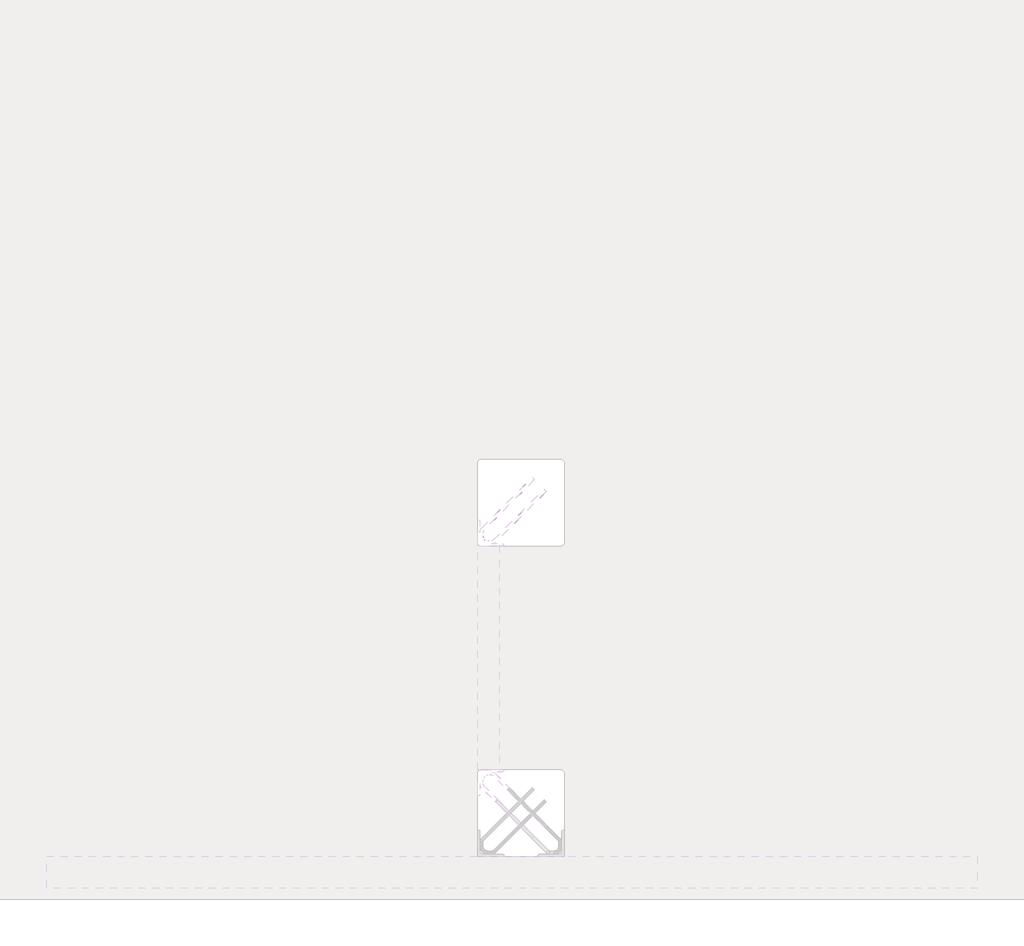
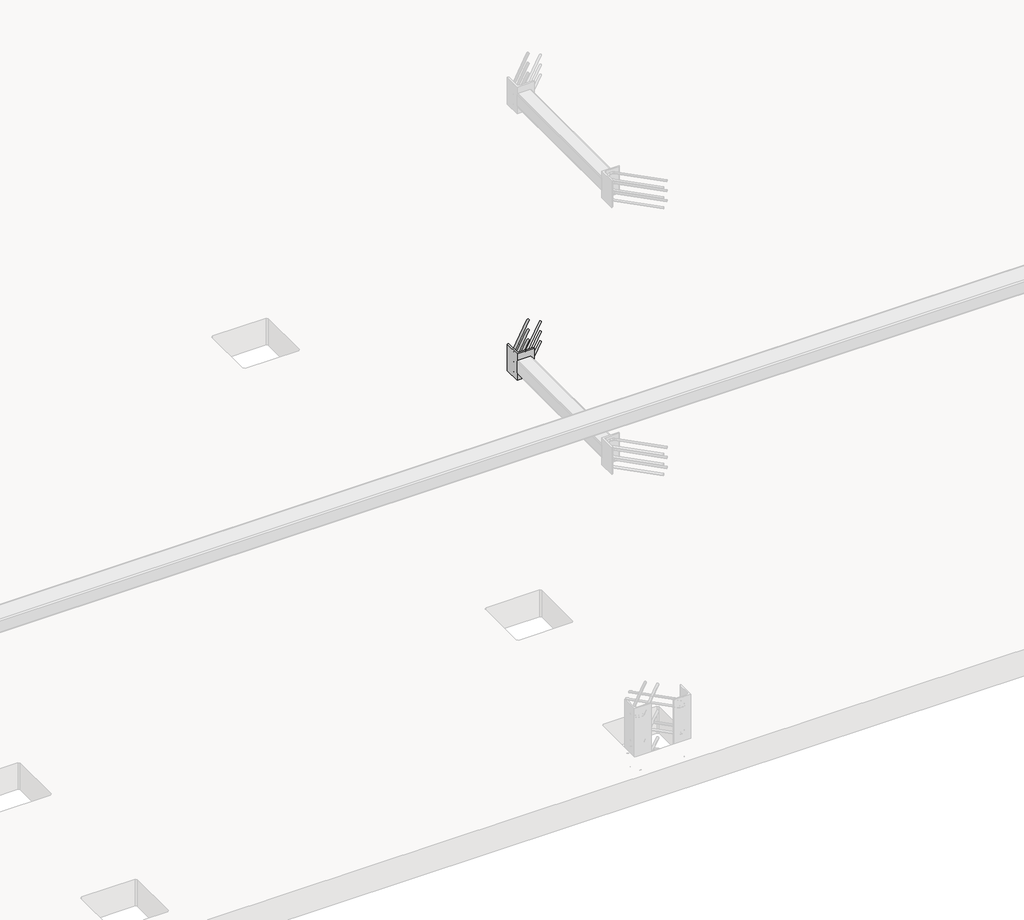
# One storey, part 51 of 65: 1 fastener.
"""IFC4 building model written with IfcOpenShell, lengths in millimetres."""

from ifc_helpers import new_model, si_unit, point, frame, frame_2d, origin, place, context, project, spatial, polyline, circle_curve, ellipse_curve, trimmed, segment, composite_curve, outline, extrude, element, save
from ifc_brep_helpers import plane_surface, cylinder_surface, revolved_surface, advanced_brep

model = new_model("IFC4")

# Units and contexts
model_context = context("Model", 3, world=origin())
ifc_project = project(units=[si_unit("LENGTHUNIT", "METRE", prefix="MILLI")], contexts=[model_context])

# Site, building, storey
site = spatial("IfcSite", under=ifc_project)
building = spatial("IfcBuilding", under=site)
storey = spatial("IfcBuildingStorey", under=building, Elevation=0.0)

# Fastener
placement = place(None, origin())
element("IfcFastener", 1, at=placement, inside=storey, context=model_context, shape_type="SolidModel", body=[
    extrude(outline(composite_curve([segment(polyline([(74650.0, 11240.0), (74650.0, 11360.0), (74653.5, 11360.0)]), True, "CONTINUOUS"), segment(trimmed(circle_curve(frame_2d((74653.5, 11353.5)), 6.5), [point((74653.5, 11360.0))], [point((74660.0, 11353.5))], False, "CARTESIAN"), True, "CONTINUOUS"), segment(polyline([(74660.0, 11353.5), (74660.0, 11263.0)]), True, "CONTINUOUS"), segment(trimmed(circle_curve(frame_2d((74673.0, 11263.0)), 13.0), [point((74660.0, 11263.0))], [point((74673.0, 11250.0))], True, "CARTESIAN"), True, "CONTINUOUS"), segment(polyline([(74673.0, 11250.0), (74763.5, 11250.0)]), True, "CONTINUOUS"), segment(trimmed(circle_curve(frame_2d((74763.5, 11243.5)), 6.5), [point((74763.5, 11250.0))], [point((74770.0, 11243.5))], False, "CARTESIAN"), True, "CONTINUOUS"), segment(polyline([(74770.0, 11243.5), (74770.0, 11240.0), (74650.0, 11240.0)]), True, "CONTINUOUS")], self_intersect=False)), frame((0.0, 0.0, 1950.0), z_axis=(0.0, 0.0, 1.0), x_axis=(1.0, 0.0, 0.0)), (0.0, 0.0, 1.0), 200.0),
    advanced_brep(
    [(74902.5376259, 11557.4371209, 1975.0), (74912.4371209, 11547.5376259, 1975.0), (74967.4371209, 11492.5376259, 1975.0), (74957.5376259, 11502.4371209, 1975.0), (74697.0, 11264.0, 1975.0), (74697.0, 11250.0, 1975.0), (74715.7867966, 11250.0, 1975.0), (74715.7867966, 11264.0, 1975.0), (74674.0, 11287.0, 1975.0), (74660.0, 11287.0, 1975.0), (74674.0, 11305.7867966, 1975.0), (74660.0, 11305.7867966, 1975.0), (74666.4436508, 11321.3431458, 1975.0), (74676.3431458, 11311.4436508, 1975.0), (74721.4436508, 11266.3431458, 1975.0), (74731.3431458, 11256.4436508, 1975.0)],
    [
        (0, 1, circle_curve(frame((74907.4873734, 11552.4873734, 1975.0), z_axis=(0.7071067811865505, 0.7071067811865446, 0.0), x_axis=(0.7071067811865447, -0.7071067811865506, 0.0)), 7.0)),
        (1, 0, circle_curve(frame((74907.4873734, 11552.4873734, 1975.0), z_axis=(0.7071067811865505, 0.7071067811865446, 0.0), x_axis=(0.7071067811865447, -0.7071067811865506, 0.0)), 7.0)),
        (2, 3, circle_curve(frame((74962.4873734, 11497.4873734, 1975.0), z_axis=(0.7071067811865503, 0.7071067811865447, 0.0), x_axis=(-0.7071067811865447, 0.7071067811865503, 0.0)), 7.0)),
        (3, 2, circle_curve(frame((74962.4873734, 11497.4873734, 1975.0), z_axis=(0.7071067811865503, 0.7071067811865447, 0.0), x_axis=(-0.7071067811865447, 0.7071067811865503, 0.0)), 7.0)),
        (4, 5, circle_curve(frame((74697.0, 11257.0, 1975.0), z_axis=(1.0, 0.0, 0.0), x_axis=(0.0, 1.0, 0.0)), 7.0)),
        (5, 6),
        (6, 7, circle_curve(frame((74715.7867966, 11257.0, 1975.0), z_axis=(-1.0, 0.0, 0.0), x_axis=(0.0, 1.0, 0.0)), 7.0)),
        (7, 4),
        (5, 4, circle_curve(frame((74697.0, 11257.0, 1975.0), z_axis=(1.0, 0.0, 0.0), x_axis=(0.0, 1.0, 0.0)), 7.0)),
        (7, 6, circle_curve(frame((74715.7867966, 11257.0, 1975.0), z_axis=(-1.0, 0.0, 0.0), x_axis=(0.0, 1.0, 0.0)), 7.0)),
        (4, 8, circle_curve(frame((74697.0, 11287.0, 1975.0), z_axis=(0.0, 0.0, -1.0), x_axis=(-1.0, 0.0, 0.0)), 23.0)),
        (8, 9, circle_curve(frame((74667.0, 11287.0, 1975.0), z_axis=(0.0, -1.0, 0.0), x_axis=(1.0, 0.0, 0.0)), 7.0)),
        (9, 5, circle_curve(frame((74697.0, 11287.0, 1975.0), z_axis=(0.0, 0.0, 1.0), x_axis=(-1.0, 0.0, 0.0)), 37.0)),
        (9, 8, circle_curve(frame((74667.0, 11287.0, 1975.0), z_axis=(0.0, -1.0, 0.0), x_axis=(1.0, 0.0, 0.0)), 7.0)),
        (10, 11, circle_curve(frame((74667.0, 11305.7867966, 1975.0), z_axis=(0.0, -1.0, 0.0), x_axis=(1.0, 0.0, 0.0)), 7.0)),
        (11, 9),
        (8, 10),
        (11, 10, circle_curve(frame((74667.0, 11305.7867966, 1975.0), z_axis=(0.0, -1.0, 0.0), x_axis=(1.0, 0.0, 0.0)), 7.0)),
        (0, 12),
        (12, 13, circle_curve(frame((74671.3933983, 11316.3933983, 1975.0), z_axis=(0.7071067811865505, 0.7071067811865446, 0.0), x_axis=(0.7071067811865447, -0.7071067811865506, 0.0)), 7.0)),
        (13, 1),
        (13, 12, circle_curve(frame((74671.3933983, 11316.3933983, 1975.0), z_axis=(0.7071067811865505, 0.7071067811865446, 0.0), x_axis=(0.7071067811865447, -0.7071067811865506, 0.0)), 7.0)),
        (10, 13, circle_curve(frame((74682.0, 11305.7867966, 1975.0), z_axis=(0.0, 0.0, -1.0), x_axis=(-0.7071067811865445, 0.7071067811865506, 0.0)), 8.0)),
        (12, 11, circle_curve(frame((74682.0, 11305.7867966, 1975.0), z_axis=(0.0, 0.0, 1.0), x_axis=(-0.7071067811865445, 0.7071067811865506, 0.0)), 22.0)),
        (14, 7, circle_curve(frame((74715.7867966, 11272.0, 1975.0), z_axis=(0.0, 0.0, -1.0), x_axis=(0.0, -1.0, 0.0)), 8.0)),
        (6, 15, circle_curve(frame((74715.7867966, 11272.0, 1975.0), z_axis=(0.0, 0.0, 1.0), x_axis=(0.0, -1.0, 0.0)), 22.0)),
        (15, 14, circle_curve(frame((74726.3933983, 11261.3933983, 1975.0), z_axis=(-0.7071067811865501, -0.7071067811865449, 0.0), x_axis=(-0.7071067811865449, 0.7071067811865501, 0.0)), 7.0)),
        (14, 15, circle_curve(frame((74726.3933983, 11261.3933983, 1975.0), z_axis=(-0.7071067811865496, -0.7071067811865455, 0.0), x_axis=(-0.7071067811865455, 0.7071067811865496, 0.0)), 7.0)),
        (15, 2),
        (3, 14),
    ],
    [
        plane_surface(frame((74907.4873734, 11552.4873734, 1975.0), z_axis=(0.7071067811865505, 0.7071067811865446, 0.0), x_axis=(0.0, 0.0, 1.0))),
        plane_surface(frame((74962.4873734, 11497.4873734, 1975.0), z_axis=(0.7071067811865503, 0.7071067811865447, 0.0), x_axis=(0.0, 0.0, 1.0))),
        cylinder_surface(frame((74697.0, 11257.0, 1975.0), z_axis=(-1.0, 0.0, 0.0), x_axis=(0.0, 1.0, 0.0)), 7.0),
        revolved_surface(trimmed(ellipse_curve(frame((74667.0, 11287.0, 1975.0), z_axis=(0.0, 1.0, 0.0), x_axis=(1.0, 0.0, 0.0)), 7.0, 7.0), [point((74660.0, 11287.0, 1975.0))], [point((74674.0, 11287.0, 1975.0))], True, "CARTESIAN"), (74697.0, 11287.0, 1975.0), (0.0, 0.0, 1.0)),
        revolved_surface(trimmed(ellipse_curve(frame((74667.0, 11287.0, 1975.0), z_axis=(0.0, 1.0, 0.0), x_axis=(1.0, 0.0, 0.0)), 7.0, 7.0), [point((74674.0, 11287.0, 1975.0))], [point((74660.0, 11287.0, 1975.0))], True, "CARTESIAN"), (74697.0, 11287.0, 1975.0), (0.0, 0.0, 1.0)),
        cylinder_surface(frame((74667.0, 11305.7867966, 1975.0), z_axis=(0.0, 1.0, 0.0), x_axis=(1.0, 0.0, 0.0)), 7.0),
        cylinder_surface(frame((74907.4873734, 11552.4873734, 1975.0), z_axis=(0.7071067811865506, 0.7071067811865447, 0.0), x_axis=(0.7071067811865447, -0.7071067811865506, 0.0)), 7.0),
        revolved_surface(trimmed(ellipse_curve(frame((74671.3933983, 11316.3933983, 1975.0), z_axis=(0.7071067811865506, 0.7071067811865445, 0.0), x_axis=(0.7071067811865445, -0.7071067811865506, 0.0)), 7.0, 7.0), [point((74666.4436508, 11321.3431458, 1975.0))], [point((74676.3431458, 11311.4436508, 1975.0))], True, "CARTESIAN"), (74682.0, 11305.7867966, 1975.0), (0.0, 0.0, 1.0)),
        revolved_surface(trimmed(ellipse_curve(frame((74671.3933983, 11316.3933983, 1975.0), z_axis=(0.7071067811865506, 0.7071067811865445, 0.0), x_axis=(0.7071067811865445, -0.7071067811865506, 0.0)), 7.0, 7.0), [point((74676.3431458, 11311.4436508, 1975.0))], [point((74666.4436508, 11321.3431458, 1975.0))], True, "CARTESIAN"), (74682.0, 11305.7867966, 1975.0), (0.0, 0.0, 1.0)),
        revolved_surface(trimmed(ellipse_curve(frame((74715.7867966, 11257.0, 1975.0), z_axis=(-1.0, 0.0, 0.0), x_axis=(0.0, 1.0, 0.0)), 7.0, 7.0), [point((74715.7867966, 11250.0, 1975.0))], [point((74715.7867966, 11264.0, 1975.0))], True, "CARTESIAN"), (74715.7867966, 11272.0, 1975.0), (0.0, 0.0, 1.0)),
        revolved_surface(trimmed(ellipse_curve(frame((74715.7867966, 11257.0, 1975.0), z_axis=(-1.0, 0.0, 0.0), x_axis=(0.0, 1.0, 0.0)), 7.0, 7.0), [point((74715.7867966, 11264.0, 1975.0))], [point((74715.7867966, 11250.0, 1975.0))], True, "CARTESIAN"), (74715.7867966, 11272.0, 1975.0), (0.0, 0.0, 1.0)),
        cylinder_surface(frame((74726.3933983, 11261.3933983, 1975.0), z_axis=(-0.7071067811865503, -0.7071067811865447, 0.0), x_axis=(-0.7071067811865447, 0.7071067811865503, 0.0)), 7.0),
    ],
    [
        (0, [[1, 2]]),
        (1, [[3, 4]]),
        (2, [[5, 6, 7, 8]]),
        (2, [[9, -8, 10, -6]]),
        (3, [[11, 12, 13, -5]]),
        (4, [[-13, 14, -11, -9]]),
        (5, [[15, 16, -12, 17]]),
        (5, [[18, -17, -14, -16]]),
        (6, [[-1, 19, 20, 21]]),
        (6, [[-2, -21, 22, -19]]),
        (7, [[23, -20, 24, -15]]),
        (8, [[-24, -22, -23, -18]]),
        (9, [[25, -7, 26, 27]]),
        (10, [[-26, -10, -25, 28]]),
        (11, [[-27, 29, -4, 30]]),
        (11, [[-28, -30, -3, -29]]),
    ],
),
    advanced_brep(
    [(74912.4371209, 11547.5376259, 2125.0), (74902.5376259, 11557.4371209, 2125.0), (74957.5376259, 11502.4371209, 2125.0), (74967.4371209, 11492.5376259, 2125.0), (74697.0, 11250.0, 2125.0), (74697.0, 11264.0, 2125.0), (74715.7867966, 11264.0, 2125.0), (74715.7867966, 11250.0, 2125.0), (74660.0, 11287.0, 2125.0), (74674.0, 11287.0, 2125.0), (74660.0, 11305.7867966, 2125.0), (74674.0, 11305.7867966, 2125.0), (74676.3431458, 11311.4436508, 2125.0), (74666.4436508, 11321.3431458, 2125.0), (74731.3431458, 11256.4436508, 2125.0), (74721.4436508, 11266.3431458, 2125.0)],
    [
        (0, 1, circle_curve(frame((74907.4873734, 11552.4873734, 2125.0), z_axis=(0.7071067811865505, 0.7071067811865446, 0.0), x_axis=(-0.7071067811865447, 0.7071067811865506, 0.0)), 7.0)),
        (1, 0, circle_curve(frame((74907.4873734, 11552.4873734, 2125.0), z_axis=(0.7071067811865505, 0.7071067811865446, 0.0), x_axis=(-0.7071067811865447, 0.7071067811865506, 0.0)), 7.0)),
        (2, 3, circle_curve(frame((74962.4873734, 11497.4873734, 2125.0), z_axis=(0.7071067811865505, 0.7071067811865447, 0.0), x_axis=(0.7071067811865447, -0.7071067811865505, 0.0)), 7.0)),
        (3, 2, circle_curve(frame((74962.4873734, 11497.4873734, 2125.0), z_axis=(0.7071067811865505, 0.7071067811865447, 0.0), x_axis=(0.7071067811865447, -0.7071067811865505, 0.0)), 7.0)),
        (4, 5, circle_curve(frame((74697.0, 11257.0, 2125.0), z_axis=(1.0, 0.0, 0.0), x_axis=(0.0, -1.0, 0.0)), 7.0)),
        (5, 6),
        (6, 7, circle_curve(frame((74715.7867966, 11257.0, 2125.0), z_axis=(-1.0, 0.0, 0.0), x_axis=(0.0, -1.0, 0.0)), 7.0)),
        (7, 4),
        (5, 4, circle_curve(frame((74697.0, 11257.0, 2125.0), z_axis=(1.0, 0.0, 0.0), x_axis=(0.0, -1.0, 0.0)), 7.0)),
        (7, 6, circle_curve(frame((74715.7867966, 11257.0, 2125.0), z_axis=(-1.0, 0.0, 0.0), x_axis=(0.0, -1.0, 0.0)), 7.0)),
        (4, 8, circle_curve(frame((74697.0, 11287.0, 2125.0), z_axis=(0.0, 0.0, -1.0), x_axis=(-1.0, 0.0, 0.0)), 37.0)),
        (8, 9, circle_curve(frame((74667.0, 11287.0, 2125.0), z_axis=(0.0, -1.0, 0.0), x_axis=(-1.0, 0.0, 0.0)), 7.0)),
        (9, 5, circle_curve(frame((74697.0, 11287.0, 2125.0), z_axis=(0.0, 0.0, 1.0), x_axis=(-1.0, 0.0, 0.0)), 23.0)),
        (9, 8, circle_curve(frame((74667.0, 11287.0, 2125.0), z_axis=(0.0, -1.0, 0.0), x_axis=(-1.0, 0.0, 0.0)), 7.0)),
        (10, 11, circle_curve(frame((74667.0, 11305.7867966, 2125.0), z_axis=(0.0, -1.0, 0.0), x_axis=(-1.0, 0.0, 0.0)), 7.0)),
        (11, 9),
        (8, 10),
        (11, 10, circle_curve(frame((74667.0, 11305.7867966, 2125.0), z_axis=(0.0, -1.0, 0.0), x_axis=(-1.0, 0.0, 0.0)), 7.0)),
        (0, 12),
        (12, 13, circle_curve(frame((74671.3933983, 11316.3933983, 2125.0), z_axis=(0.7071067811865505, 0.7071067811865446, 0.0), x_axis=(-0.7071067811865447, 0.7071067811865506, 0.0)), 7.0)),
        (13, 1),
        (13, 12, circle_curve(frame((74671.3933983, 11316.3933983, 2125.0), z_axis=(0.7071067811865505, 0.7071067811865446, 0.0), x_axis=(-0.7071067811865447, 0.7071067811865506, 0.0)), 7.0)),
        (10, 13, circle_curve(frame((74682.0, 11305.7867966, 2125.0), z_axis=(0.0, 0.0, -1.0), x_axis=(-0.7071067811865445, 0.7071067811865506, 0.0)), 22.0)),
        (12, 11, circle_curve(frame((74682.0, 11305.7867966, 2125.0), z_axis=(0.0, 0.0, 1.0), x_axis=(-0.7071067811865445, 0.7071067811865506, 0.0)), 8.0)),
        (14, 7, circle_curve(frame((74715.7867966, 11272.0, 2125.0), z_axis=(0.0, 0.0, -1.0), x_axis=(0.0, -1.0, 0.0)), 22.0)),
        (6, 15, circle_curve(frame((74715.7867966, 11272.0, 2125.0), z_axis=(0.0, 0.0, 1.0), x_axis=(0.0, -1.0, 0.0)), 8.0)),
        (15, 14, circle_curve(frame((74726.3933983, 11261.3933983, 2125.0), z_axis=(-0.7071067811865488, -0.7071067811865462, 0.0), x_axis=(0.7071067811865462, -0.7071067811865488, 0.0)), 7.0)),
        (14, 15, circle_curve(frame((74726.3933983, 11261.3933983, 2125.0), z_axis=(-0.7071067811865496, -0.7071067811865455, 0.0), x_axis=(0.7071067811865455, -0.7071067811865496, 0.0)), 7.0)),
        (15, 2),
        (3, 14),
    ],
    [
        plane_surface(frame((74907.4873734, 11552.4873734, 2125.0), z_axis=(0.7071067811865505, 0.7071067811865446, 0.0), x_axis=(0.0, 0.0, -1.0))),
        plane_surface(frame((74962.4873734, 11497.4873734, 2125.0), z_axis=(0.7071067811865505, 0.7071067811865447, 0.0), x_axis=(0.0, 0.0, -1.0))),
        cylinder_surface(frame((74697.0, 11257.0, 2125.0), z_axis=(-1.0, 0.0, 0.0), x_axis=(0.0, -1.0, 0.0)), 7.0),
        revolved_surface(trimmed(ellipse_curve(frame((74667.0, 11287.0, 2125.0), z_axis=(0.0, 1.0, 0.0), x_axis=(-1.0, 0.0, 0.0)), 7.0, 7.0), [point((74674.0, 11287.0, 2125.0))], [point((74660.0, 11287.0, 2125.0))], True, "CARTESIAN"), (74697.0, 11287.0, 2125.0), (0.0, 0.0, 1.0)),
        revolved_surface(trimmed(ellipse_curve(frame((74667.0, 11287.0, 2125.0), z_axis=(0.0, 1.0, 0.0), x_axis=(-1.0, 0.0, 0.0)), 7.0, 7.0), [point((74660.0, 11287.0, 2125.0))], [point((74674.0, 11287.0, 2125.0))], True, "CARTESIAN"), (74697.0, 11287.0, 2125.0), (0.0, 0.0, 1.0)),
        cylinder_surface(frame((74667.0, 11305.7867966, 2125.0), z_axis=(0.0, 1.0, 0.0), x_axis=(-1.0, 0.0, 0.0)), 7.0),
        cylinder_surface(frame((74907.4873734, 11552.4873734, 2125.0), z_axis=(0.7071067811865506, 0.7071067811865447, 0.0), x_axis=(-0.7071067811865447, 0.7071067811865506, 0.0)), 7.0),
        revolved_surface(trimmed(ellipse_curve(frame((74671.3933983, 11316.3933983, 2125.0), z_axis=(0.7071067811865506, 0.7071067811865445, 0.0), x_axis=(-0.7071067811865445, 0.7071067811865506, 0.0)), 7.0, 7.0), [point((74676.3431458, 11311.4436508, 2125.0))], [point((74666.4436508, 11321.3431458, 2125.0))], True, "CARTESIAN"), (74682.0, 11305.7867966, 2125.0), (0.0, 0.0, 1.0)),
        revolved_surface(trimmed(ellipse_curve(frame((74671.3933983, 11316.3933983, 2125.0), z_axis=(0.7071067811865506, 0.7071067811865445, 0.0), x_axis=(-0.7071067811865445, 0.7071067811865506, 0.0)), 7.0, 7.0), [point((74666.4436508, 11321.3431458, 2125.0))], [point((74676.3431458, 11311.4436508, 2125.0))], True, "CARTESIAN"), (74682.0, 11305.7867966, 2125.0), (0.0, 0.0, 1.0)),
        revolved_surface(trimmed(ellipse_curve(frame((74715.7867966, 11257.0, 2125.0), z_axis=(-1.0, 0.0, 0.0), x_axis=(0.0, -1.0, 0.0)), 7.0, 7.0), [point((74715.7867966, 11264.0, 2125.0))], [point((74715.7867966, 11250.0, 2125.0))], True, "CARTESIAN"), (74715.7867966, 11272.0, 2125.0), (0.0, 0.0, 1.0)),
        revolved_surface(trimmed(ellipse_curve(frame((74715.7867966, 11257.0, 2125.0), z_axis=(-1.0, 0.0, 0.0), x_axis=(0.0, -1.0, 0.0)), 7.0, 7.0), [point((74715.7867966, 11250.0, 2125.0))], [point((74715.7867966, 11264.0, 2125.0))], True, "CARTESIAN"), (74715.7867966, 11272.0, 2125.0), (0.0, 0.0, 1.0)),
        cylinder_surface(frame((74726.3933983, 11261.3933983, 2125.0), z_axis=(-0.7071067811865505, -0.7071067811865447, 0.0), x_axis=(0.7071067811865447, -0.7071067811865505, 0.0)), 7.0),
    ],
    [
        (0, [[1, 2]]),
        (1, [[3, 4]]),
        (2, [[5, 6, 7, 8]]),
        (2, [[9, -8, 10, -6]]),
        (3, [[11, 12, 13, -5]]),
        (4, [[-13, 14, -11, -9]]),
        (5, [[15, 16, -12, 17]]),
        (5, [[18, -17, -14, -16]]),
        (6, [[-1, 19, 20, 21]]),
        (6, [[-2, -21, 22, -19]]),
        (7, [[23, -20, 24, -15]]),
        (8, [[-24, -22, -23, -18]]),
        (9, [[25, -7, 26, 27]]),
        (10, [[-26, -10, -25, 28]]),
        (11, [[-27, 29, -4, 30]]),
        (11, [[-28, -30, -3, -29]]),
    ],
),
    advanced_brep(
    [(74912.4371209, 11547.5376259, 2050.0), (74902.5376259, 11557.4371209, 2050.0), (74957.5376259, 11502.4371209, 2050.0), (74967.4371209, 11492.5376259, 2050.0), (74697.0, 11250.0, 2050.0), (74697.0, 11264.0, 2050.0), (74715.7867966, 11264.0, 2050.0), (74715.7867966, 11250.0, 2050.0), (74660.0, 11287.0, 2050.0), (74674.0, 11287.0, 2050.0), (74660.0, 11305.7867966, 2050.0), (74674.0, 11305.7867966, 2050.0), (74676.3431458, 11311.4436508, 2050.0), (74666.4436508, 11321.3431458, 2050.0), (74731.3431458, 11256.4436508, 2050.0), (74721.4436508, 11266.3431458, 2050.0)],
    [
        (0, 1, circle_curve(frame((74907.4873734, 11552.4873734, 2050.0), z_axis=(0.7071067811865505, 0.7071067811865446, 0.0), x_axis=(-0.7071067811865446, 0.7071067811865505, 0.0)), 7.0)),
        (1, 0, circle_curve(frame((74907.4873734, 11552.4873734, 2050.0), z_axis=(0.7071067811865505, 0.7071067811865446, 0.0), x_axis=(-0.7071067811865446, 0.7071067811865505, 0.0)), 7.0)),
        (2, 3, circle_curve(frame((74962.4873734, 11497.4873734, 2050.0), z_axis=(0.7071067811865505, 0.7071067811865447, 0.0), x_axis=(0.7071067811865447, -0.7071067811865505, 0.0)), 7.0)),
        (3, 2, circle_curve(frame((74962.4873734, 11497.4873734, 2050.0), z_axis=(0.7071067811865505, 0.7071067811865447, 0.0), x_axis=(0.7071067811865447, -0.7071067811865505, 0.0)), 7.0)),
        (4, 5, circle_curve(frame((74697.0, 11257.0, 2050.0), z_axis=(1.0, 0.0, 0.0), x_axis=(0.0, -1.0, 0.0)), 7.0)),
        (5, 6),
        (6, 7, circle_curve(frame((74715.7867966, 11257.0, 2050.0), z_axis=(-1.0, 0.0, 0.0), x_axis=(0.0, -1.0, 0.0)), 7.0)),
        (7, 4),
        (5, 4, circle_curve(frame((74697.0, 11257.0, 2050.0), z_axis=(1.0, 0.0, 0.0), x_axis=(0.0, -1.0, 0.0)), 7.0)),
        (7, 6, circle_curve(frame((74715.7867966, 11257.0, 2050.0), z_axis=(-1.0, 0.0, 0.0), x_axis=(0.0, -1.0, 0.0)), 7.0)),
        (4, 8, circle_curve(frame((74697.0, 11287.0, 2050.0), z_axis=(0.0, 0.0, -1.0), x_axis=(-1.0, 0.0, 0.0)), 37.0)),
        (8, 9, circle_curve(frame((74667.0, 11287.0, 2050.0), z_axis=(0.0, -1.0, 0.0), x_axis=(-1.0, 0.0, 0.0)), 7.0)),
        (9, 5, circle_curve(frame((74697.0, 11287.0, 2050.0), z_axis=(0.0, 0.0, 1.0), x_axis=(-1.0, 0.0, 0.0)), 23.0)),
        (9, 8, circle_curve(frame((74667.0, 11287.0, 2050.0), z_axis=(0.0, -1.0, 0.0), x_axis=(-1.0, 0.0, 0.0)), 7.0)),
        (10, 11, circle_curve(frame((74667.0, 11305.7867966, 2050.0), z_axis=(0.0, -1.0, 0.0), x_axis=(-1.0, 0.0, 0.0)), 7.0)),
        (11, 9),
        (8, 10),
        (11, 10, circle_curve(frame((74667.0, 11305.7867966, 2050.0), z_axis=(0.0, -1.0, 0.0), x_axis=(-1.0, 0.0, 0.0)), 7.0)),
        (0, 12),
        (12, 13, circle_curve(frame((74671.3933983, 11316.3933983, 2050.0), z_axis=(0.7071067811865505, 0.7071067811865446, 0.0), x_axis=(-0.7071067811865446, 0.7071067811865505, 0.0)), 7.0)),
        (13, 1),
        (13, 12, circle_curve(frame((74671.3933983, 11316.3933983, 2050.0), z_axis=(0.7071067811865505, 0.7071067811865446, 0.0), x_axis=(-0.7071067811865446, 0.7071067811865505, 0.0)), 7.0)),
        (10, 13, circle_curve(frame((74682.0, 11305.7867966, 2050.0), z_axis=(0.0, 0.0, -1.0), x_axis=(-0.7071067811865445, 0.7071067811865506, 0.0)), 22.0)),
        (12, 11, circle_curve(frame((74682.0, 11305.7867966, 2050.0), z_axis=(0.0, 0.0, 1.0), x_axis=(-0.7071067811865445, 0.7071067811865506, 0.0)), 8.0)),
        (14, 7, circle_curve(frame((74715.7867966, 11272.0, 2050.0), z_axis=(0.0, 0.0, -1.0), x_axis=(0.0, -1.0, 0.0)), 22.0)),
        (6, 15, circle_curve(frame((74715.7867966, 11272.0, 2050.0), z_axis=(0.0, 0.0, 1.0), x_axis=(0.0, -1.0, 0.0)), 8.0)),
        (15, 14, circle_curve(frame((74726.3933983, 11261.3933983, 2050.0), z_axis=(-0.7071067811865502, -0.7071067811865448, 0.0), x_axis=(0.7071067811865448, -0.7071067811865502, 0.0)), 7.0)),
        (14, 15, circle_curve(frame((74726.3933983, 11261.3933983, 2050.0), z_axis=(-0.7071067811865501, -0.7071067811865449, 0.0), x_axis=(0.7071067811865449, -0.7071067811865501, 0.0)), 7.0)),
        (15, 2),
        (3, 14),
    ],
    [
        plane_surface(frame((74907.4873734, 11552.4873734, 2050.0), z_axis=(0.7071067811865505, 0.7071067811865446, 0.0), x_axis=(0.0, 0.0, -1.0))),
        plane_surface(frame((74962.4873734, 11497.4873734, 2050.0), z_axis=(0.7071067811865503, 0.7071067811865448, 0.0), x_axis=(0.0, 0.0, -1.0))),
        cylinder_surface(frame((74697.0, 11257.0, 2050.0), z_axis=(-1.0, 0.0, 0.0), x_axis=(0.0, -1.0, 0.0)), 7.0),
        revolved_surface(trimmed(ellipse_curve(frame((74667.0, 11287.0, 2050.0), z_axis=(0.0, 1.0, 0.0), x_axis=(-1.0, 0.0, 0.0)), 7.0, 7.0), [point((74674.0, 11287.0, 2050.0))], [point((74660.0, 11287.0, 2050.0))], True, "CARTESIAN"), (74697.0, 11287.0, 2050.0), (0.0, 0.0, 1.0)),
        revolved_surface(trimmed(ellipse_curve(frame((74667.0, 11287.0, 2050.0), z_axis=(0.0, 1.0, 0.0), x_axis=(-1.0, 0.0, 0.0)), 7.0, 7.0), [point((74660.0, 11287.0, 2050.0))], [point((74674.0, 11287.0, 2050.0))], True, "CARTESIAN"), (74697.0, 11287.0, 2050.0), (0.0, 0.0, 1.0)),
        cylinder_surface(frame((74667.0, 11305.7867966, 2050.0), z_axis=(0.0, 1.0, 0.0), x_axis=(-1.0, 0.0, 0.0)), 7.0),
        cylinder_surface(frame((74907.4873734, 11552.4873734, 2050.0), z_axis=(0.7071067811865505, 0.7071067811865446, 0.0), x_axis=(-0.7071067811865446, 0.7071067811865505, 0.0)), 7.0),
        revolved_surface(trimmed(ellipse_curve(frame((74671.3933983, 11316.3933983, 2050.0), z_axis=(0.7071067811865507, 0.7071067811865444, 0.0), x_axis=(-0.7071067811865444, 0.7071067811865507, 0.0)), 7.0, 7.0), [point((74676.3431458, 11311.4436508, 2050.0))], [point((74666.4436508, 11321.3431458, 2050.0))], True, "CARTESIAN"), (74682.0, 11305.7867966, 2050.0), (0.0, 0.0, 1.0)),
        revolved_surface(trimmed(ellipse_curve(frame((74671.3933983, 11316.3933983, 2050.0), z_axis=(0.7071067811865507, 0.7071067811865444, 0.0), x_axis=(-0.7071067811865444, 0.7071067811865507, 0.0)), 7.0, 7.0), [point((74666.4436508, 11321.3431458, 2050.0))], [point((74676.3431458, 11311.4436508, 2050.0))], True, "CARTESIAN"), (74682.0, 11305.7867966, 2050.0), (0.0, 0.0, 1.0)),
        revolved_surface(trimmed(ellipse_curve(frame((74715.7867966, 11257.0, 2050.0), z_axis=(-1.0, 0.0, 0.0), x_axis=(0.0, -1.0, 0.0)), 7.0, 7.0), [point((74715.7867966, 11264.0, 2050.0))], [point((74715.7867966, 11250.0, 2050.0))], True, "CARTESIAN"), (74715.7867966, 11272.0, 2050.0), (0.0, 0.0, 1.0)),
        revolved_surface(trimmed(ellipse_curve(frame((74715.7867966, 11257.0, 2050.0), z_axis=(-1.0, 0.0, 0.0), x_axis=(0.0, -1.0, 0.0)), 7.0, 7.0), [point((74715.7867966, 11250.0, 2050.0))], [point((74715.7867966, 11264.0, 2050.0))], True, "CARTESIAN"), (74715.7867966, 11272.0, 2050.0), (0.0, 0.0, 1.0)),
        cylinder_surface(frame((74726.3933983, 11261.3933983, 2050.0), z_axis=(-0.7071067811865505, -0.7071067811865447, 0.0), x_axis=(0.7071067811865447, -0.7071067811865505, 0.0)), 7.0),
    ],
    [
        (0, [[1, 2]]),
        (1, [[3, 4]]),
        (2, [[5, 6, 7, 8]]),
        (2, [[9, -8, 10, -6]]),
        (3, [[11, 12, 13, -5]]),
        (4, [[-13, 14, -11, -9]]),
        (5, [[15, 16, -12, 17]]),
        (5, [[18, -17, -14, -16]]),
        (6, [[-1, 19, 20, 21]]),
        (6, [[-2, -21, 22, -19]]),
        (7, [[23, -20, 24, -15]]),
        (8, [[-24, -22, -23, -18]]),
        (9, [[25, -7, 26, 27]]),
        (10, [[-26, -10, -25, 28]]),
        (11, [[-27, 29, -4, 30]]),
        (11, [[-28, -30, -3, -29]]),
    ],
),
])

save(model, "model.ifc")
